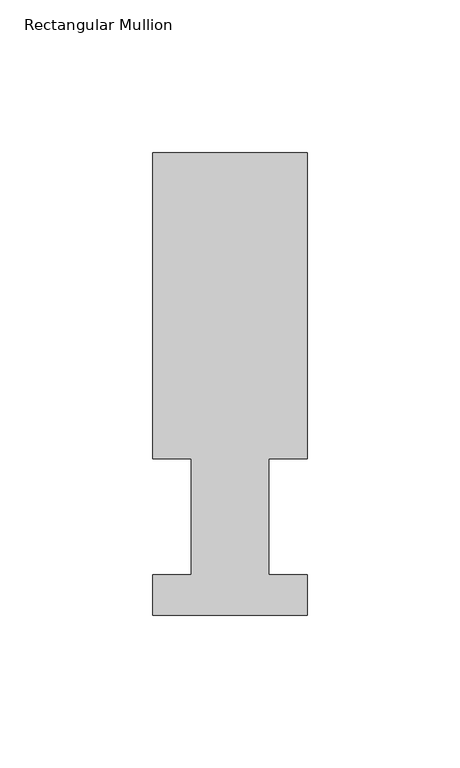
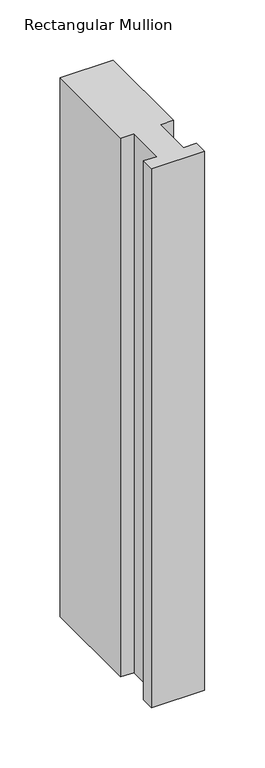
"""IFC4 building model written with IfcOpenShell, lengths in millimetres: member geometry, Rectangular Mullion."""

from ifc_helpers import new_model, si_unit, frame, origin, place, context, project, spatial, polyline, outline, extrude, source, transform, mapped, element, save


def rectangular_mullion_d87f148f(model_context):
    return source(origin(), model_context, "Body", "SweptSolid", [
        extrude(outline(polyline([(0.0, 151.7022937), (50.8, 151.7022937), (50.8, 51.2960937), (38.1, 51.2960937), (38.1, 13.1960938), (50.8, 13.1960938), (50.8, 0.0134937), (0.0, 0.0134937), (0.0, 13.1960938), (12.7, 13.1960938), (12.7, 51.2960938), (0.0, 51.2960938), (0.0, 151.7022937)])), frame((0.0, 0.0, -545.3169756), z_axis=(0.0, 0.0, 1.0), x_axis=(1.0, 0.0, 0.0)), (0.0, 0.0, 1.0), 545.3169756),
    ])


if __name__ == "__main__":
    model = new_model("IFC4")
    model_context = context("Model", 3, world=origin())
    ifc_project = project(units=[si_unit("LENGTHUNIT", "METRE", prefix="MILLI")], contexts=[model_context])
    site = spatial("IfcSite", under=ifc_project)
    building = spatial("IfcBuilding", under=site)
    placement = place(None, origin())
    rectangular_mullion_shape = rectangular_mullion_d87f148f(model_context)
    element("IfcMember", 1, ObjectType="Rectangular Mullion", at=placement, inside=building, context=model_context, shape_type="MappedRepresentation", body=[
        mapped(rectangular_mullion_shape, transform((0.0, 0.0, 0.0), x_axis=(1.0, 0.0, 0.0), y_axis=(0.0, 1.0, 0.0), z_axis=(0.0, 0.0, 1.0))),
    ])
    save(model, "model.ifc")
